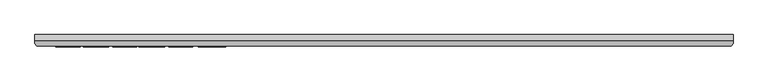
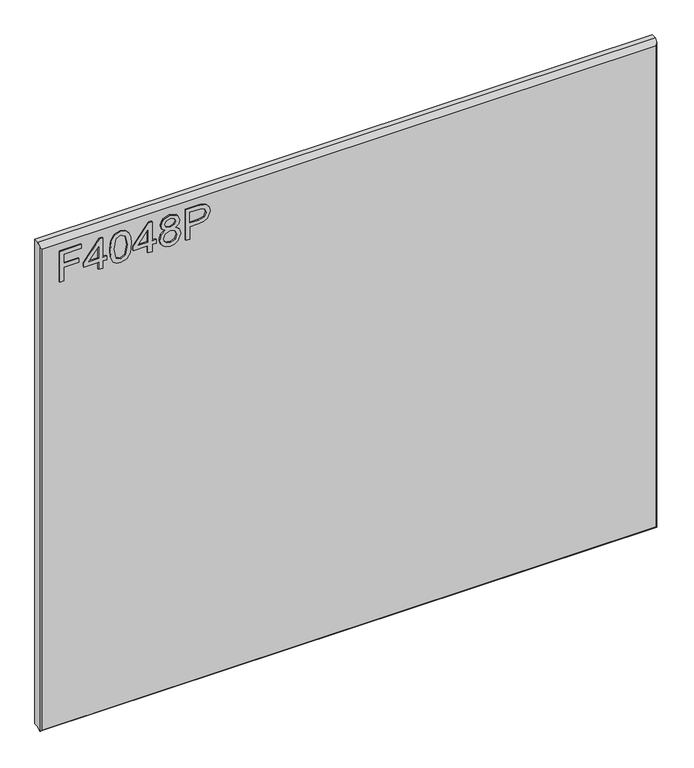
"""IFC4 building model written with IfcOpenShell, lengths in millimetres: furniture geometry."""

from ifc_helpers import new_model, si_unit, frame, origin, place, context, project, spatial, polyline, outline, extrude, faceted_brep, source, transform, mapped, element, save


def furniture_3e127fef(model_context):
    return source(origin(), model_context, "Body", "SolidModel", [
        extrude(outline(polyline([(2030.1942188, -554.6436441), (2030.1942188, -546.6699245), (2059.0989524, -546.6699245), (2059.0989524, -516.7684759), (2067.072672, -516.7684759), (2067.072672, -546.6699245), (2086.0102561, -546.6699245), (2086.0102561, -511.7849011), (2093.9839757, -511.7849011), (2093.9839757, -554.6436441), (2030.1942188, -554.6436441)])), frame((0.0, -21.9273437, 0.0), z_axis=(0.0, 1.0, 0.0), x_axis=(0.0, 0.0, 1.0)), (0.0, 0.0, 1.0), 2.38125),
        extrude(outline(polyline([(2030.1942188, -477.8965927), (2030.1942188, -469.9228731), (2045.144943, -469.9228731), (2045.144943, -461.9491535), (2053.1186627, -461.9491535), (2053.1186627, -469.9228731), (2092.9872607, -469.9228731), (2092.9872607, -475.9031628), (2053.1186627, -506.8013264), (2045.144943, -506.8013264), (2045.144943, -477.8965927), (2030.1942188, -477.8965927)]), holes=[polyline([(2053.1186627, -477.8965927), (2053.1186627, -496.9899136), (2077.7562104, -477.8965927), (2053.1186627, -477.8965927)])]), frame((0.0, -21.9273438, 0.0), z_axis=(0.0, 1.0, 0.0), x_axis=(0.0, 0.0, 1.0)), (0.0, 0.0, 1.0), 2.38125),
        extrude(outline(polyline([(2061.5751661, -454.9721488), (2046.0598962, -453.3836344), (2035.2712355, -448.618091), (2030.7159367, -442.3263279), (2029.1975038, -434.0411348), (2032.693793, -422.3686683), (2043.299463, -415.4305978), (2061.5751661, -413.1101208), (2076.5648245, -414.5584723), (2086.0024692, -418.2961533), (2091.9282511, -424.7280795), (2093.9839757, -434.0411348), (2090.511047, -445.6668803), (2079.9287375, -452.6283113), (2061.5751661, -454.9721488)]), holes=[polyline([(2061.5907397, -446.9984292), (2081.7430702, -443.1361588), (2086.0102561, -434.1345769), (2081.1668444, -424.6969322), (2061.5907397, -421.0838405), (2041.8043906, -424.8215215), (2037.1712234, -434.0411348), (2041.7888169, -443.2607482), (2061.5907397, -446.9984292)])]), frame((0.0, -21.9273437, 0.0), z_axis=(0.0, 1.0, 0.0), x_axis=(0.0, 0.0, 1.0)), (0.0, 0.0, 1.0), 2.38125),
        extrude(outline(polyline([(2030.1942188, -380.2185274), (2030.1942188, -372.2448078), (2045.144943, -372.2448078), (2045.144943, -364.2710882), (2053.1186627, -364.2710882), (2053.1186627, -372.2448078), (2092.9872607, -372.2448078), (2092.9872607, -378.2250975), (2053.1186627, -409.123261), (2045.144943, -409.123261), (2045.144943, -380.2185274), (2030.1942188, -380.2185274)]), holes=[polyline([(2053.1186627, -380.2185274), (2053.1186627, -399.3118482), (2077.7562104, -380.2185274), (2053.1186627, -380.2185274)])]), frame((0.0, -21.9273438, 0.0), z_axis=(0.0, 1.0, 0.0), x_axis=(0.0, 0.0, 1.0)), (0.0, 0.0, 1.0), 2.38125),
        extrude(outline(polyline([(2065.3284208, -345.6761249), (2059.5350152, -354.2727913), (2048.9760661, -357.2940835), (2041.2184312, -355.8535189), (2034.8585333, -351.5318252), (2030.6127612, -344.8585071), (2029.1975038, -336.3630695), (2030.606921, -327.8676319), (2034.8351727, -321.1943138), (2048.7580347, -315.4320555), (2059.0755919, -318.3365452), (2065.3284208, -326.8164091), (2070.2574877, -319.7537493), (2077.771784, -317.4254854), (2089.2651533, -322.6582389), (2093.9839757, -336.4720852), (2089.374169, -350.1613421), (2077.9898154, -355.3006536), (2070.2808482, -352.9412424), (2065.3284208, -345.6761249)]), holes=[polyline([(2077.7562104, -347.326934), (2083.5807634, -344.4535917), (2086.0102561, -336.3630695), (2083.5262555, -328.2959079), (2077.3980159, -325.3992051), (2071.4800209, -328.2024659), (2069.0661019, -336.2696275), (2071.4955946, -344.5003127), (2077.7562104, -347.326934)]), polyline([(2049.2563922, -349.3203639), (2057.7128956, -345.9486641), (2061.0923823, -336.5655272), (2057.6661746, -326.9098511), (2049.0072135, -323.4057751), (2040.5117759, -326.8008355), (2037.1712234, -336.3007748), (2038.7597379, -343.2777795), (2043.252742, -347.988815), (2049.2563922, -349.3203639)])]), frame((0.0, -21.9273437, 0.0), z_axis=(0.0, 1.0, 0.0), x_axis=(0.0, 0.0, 1.0)), (0.0, 0.0, 1.0), 2.38125),
        extrude(outline(polyline([(2030.1942188, -305.464906), (2030.1942188, -297.4911864), (2056.1088075, -297.4911864), (2056.1088075, -281.2789947), (2057.5182247, -269.9510957), (2061.7464765, -262.7541129), (2075.5291754, -257.6225883), (2084.2270707, -259.5225762), (2090.3942445, -264.5450851), (2093.3766025, -272.2929865), (2093.9839757, -281.8240732), (2093.9839757, -305.464906), (2030.1942188, -305.464906)]), holes=[polyline([(2064.0825271, -297.4911864), (2086.0102561, -297.4911864), (2086.0102561, -280.9986687), (2085.4651776, -273.024949), (2081.8520859, -267.6442457), (2075.2488493, -265.5963079), (2067.0103773, -269.0692366), (2064.0825271, -280.8117846), (2064.0825271, -297.4911864)])]), frame((0.0, -21.9273437, 0.0), z_axis=(0.0, 1.0, 0.0), x_axis=(0.0, 0.0, 1.0)), (0.0, 0.0, 1.0), 2.38125),
        faceted_brep([(628.3377049, 0.0, 2119.0942187), (-590.8622951, 0.0, 2119.0942187), (-590.8622951, -10.0314449, 2119.0942187), (628.3377049, -10.0314449, 2119.0942187), (-590.8622951, 0.0, 1107.9472062), (628.3377049, 0.0, 1107.9472062), (628.3377049, -10.0314449, 1107.9472062), (-590.8622951, -10.0314449, 1107.9472062), (-590.8622951, -15.7726273, 1102.2060239), (-590.8622951, -15.7726273, 2113.3530364), (-587.6959807, -19.5460937, 1104.7722062), (625.1713906, -19.5460937, 1104.7722062), (625.1713906, -19.5460937, 2109.5795699), (-587.6959807, -19.5460937, 2109.5795699), (628.3377049, -15.7726273, 2113.3530364), (628.3377049, -15.7726273, 1102.2060239), (-590.3514364, -16.3814449, 1101.5972062), (627.8268462, -16.3814449, 1101.5972062)], [[[0, 1, 2, 3]], [[4, 5, 6, 7]], [[1, 4, 7, 8, 9, 2]], [[10, 11, 12, 13]], [[5, 0, 3, 14, 15, 6]], [[1, 0, 5, 4]], [[11, 10, 16, 17]], [[7, 6, 15, 17, 16, 8]], [[3, 2, 9, 13, 12, 14]], [[9, 8, 16, 10, 13]], [[12, 11, 17, 15, 14]]]),
    ])


if __name__ == "__main__":
    model = new_model("IFC4")
    model_context = context("Model", 3, world=origin())
    ifc_project = project(units=[si_unit("LENGTHUNIT", "METRE", prefix="MILLI")], contexts=[model_context])
    site = spatial("IfcSite", under=ifc_project)
    building = spatial("IfcBuilding", under=site)
    placement = place(None, origin())
    furniture_shape = furniture_3e127fef(model_context)
    element("IfcFurniture", 1, at=placement, inside=building, context=model_context, shape_type="MappedRepresentation", body=[
        mapped(furniture_shape, transform((0.0, 0.0, 0.0), x_axis=(1.0, 0.0, 0.0), y_axis=(0.0, 1.0, 0.0), z_axis=(0.0, 0.0, 1.0))),
    ])
    save(model, "model.ifc")
